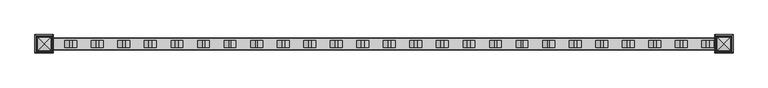
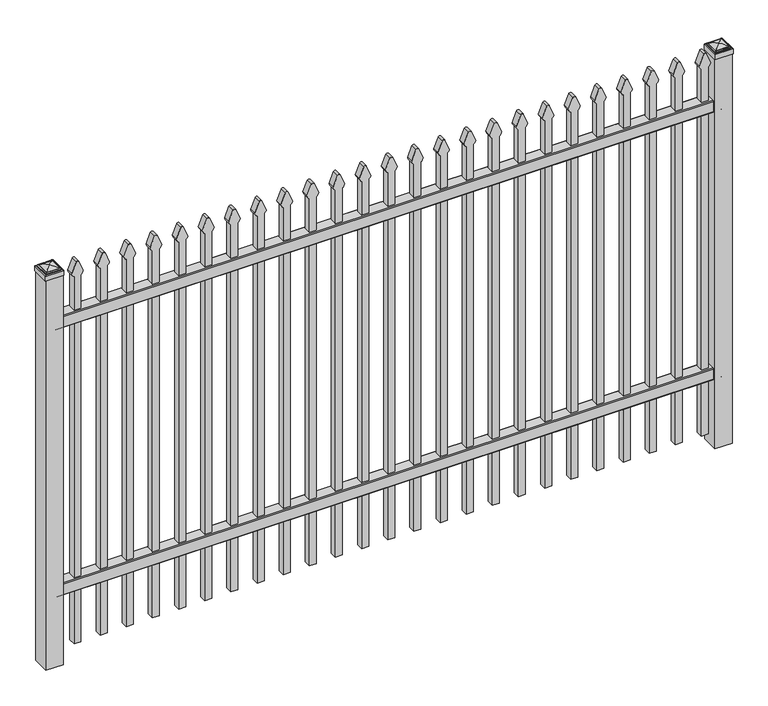
"""IFC4 building model written with IfcOpenShell, lengths in millimetres: railing geometry."""

from ifc_helpers import new_model, si_unit, point, frame, frame_2d, origin, origin_with_axes, place, context, project, spatial, polyline, circle_curve, ellipse_curve, trimmed, segment, composite_curve, outline, extrude, source, transform, mapped, element, save
from ifc_brep_helpers import plane_surface, cylinder_surface, advanced_brep


def railing_96e286ac(model_context):
    return source(origin(), model_context, "Body", "SolidModel", [
        extrude(outline(composite_curve([segment(polyline([(11873.9139761, 304.8), (11911.969541, 304.8)]), True, "CONTINUOUS"), segment(trimmed(circle_curve(frame_2d((11911.969541, 301.625)), 3.175), [point((11911.969541, 304.8))], [point((11915.144541, 301.625))], False, "CARTESIAN"), True, "CONTINUOUS"), segment(polyline([(11915.144541, 301.625), (11915.144541, 262.1439893)]), True, "CONTINUOUS"), segment(trimmed(circle_curve(frame_2d((11913.3505518, 262.1439893)), 1.7939893), [point((11915.144541, 262.1439893))], [point((11913.3505518, 260.35))], False, "CARTESIAN"), True, "CONTINUOUS"), segment(polyline([(11913.3505518, 260.35), (11910.7590713, 260.35)]), True, "CONTINUOUS"), segment(trimmed(circle_curve(frame_2d((11910.7590713, 262.1359375)), 1.7859375), [point((11910.7590713, 260.35))], [point((11908.9755813, 262.0424688))], False, "CARTESIAN"), True, "CONTINUOUS"), segment(polyline([(11908.9755813, 262.0424688), (11907.4025867, 292.0569942), (11878.4364954, 292.0569942), (11876.8635007, 262.0424688)]), True, "CONTINUOUS"), segment(trimmed(circle_curve(frame_2d((11875.0800108, 262.1359375)), 1.7859375), [point((11876.8635007, 262.0424688))], [point((11875.0800108, 260.35))], False, "CARTESIAN"), True, "CONTINUOUS"), segment(polyline([(11875.0800108, 260.35), (11872.4804785, 260.35)]), True, "CONTINUOUS"), segment(trimmed(circle_curve(frame_2d((11872.4804785, 262.1359375)), 1.7859375), [point((11872.4804785, 260.35))], [point((11870.694541, 262.1359375))], False, "CARTESIAN"), True, "CONTINUOUS"), segment(polyline([(11870.694541, 262.1359375), (11870.694541, 301.5805649)]), True, "CONTINUOUS"), segment(trimmed(circle_curve(frame_2d((11873.9139761, 301.5805649)), 3.2194351), [point((11870.694541, 301.5805649))], [point((11873.9139761, 304.8))], False, "CARTESIAN"), True, "CONTINUOUS")], self_intersect=False)), frame((-33015.4649936, 0.0, 0.0), z_axis=(1.0, 0.0, 0.0), x_axis=(0.0, 1.0, 0.0)), (0.0, 0.0, 1.0), 2438.4),
        extrude(outline(composite_curve([segment(polyline([(11873.9139761, 1335.0875), (11911.969541, 1335.0875)]), True, "CONTINUOUS"), segment(trimmed(circle_curve(frame_2d((11911.969541, 1331.9125)), 3.175), [point((11911.969541, 1335.0875))], [point((11915.144541, 1331.9125))], False, "CARTESIAN"), True, "CONTINUOUS"), segment(polyline([(11915.144541, 1331.9125), (11915.144541, 1292.4314893)]), True, "CONTINUOUS"), segment(trimmed(circle_curve(frame_2d((11913.3505518, 1292.4314893)), 1.7939893), [point((11915.144541, 1292.4314893))], [point((11913.3505518, 1290.6375))], False, "CARTESIAN"), True, "CONTINUOUS"), segment(polyline([(11913.3505518, 1290.6375), (11910.7590713, 1290.6375)]), True, "CONTINUOUS"), segment(trimmed(circle_curve(frame_2d((11910.7590713, 1292.4234375)), 1.7859375), [point((11910.7590713, 1290.6375))], [point((11908.9755813, 1292.3299688))], False, "CARTESIAN"), True, "CONTINUOUS"), segment(polyline([(11908.9755813, 1292.3299688), (11907.4025867, 1322.3444942), (11878.4364954, 1322.3444942), (11876.8635007, 1292.3299688)]), True, "CONTINUOUS"), segment(trimmed(circle_curve(frame_2d((11875.0800108, 1292.4234375)), 1.7859375), [point((11876.8635007, 1292.3299688))], [point((11875.0800108, 1290.6375))], False, "CARTESIAN"), True, "CONTINUOUS"), segment(polyline([(11875.0800108, 1290.6375), (11872.4804785, 1290.6375)]), True, "CONTINUOUS"), segment(trimmed(circle_curve(frame_2d((11872.4804785, 1292.4234375)), 1.7859375), [point((11872.4804785, 1290.6375))], [point((11870.694541, 1292.4234375))], False, "CARTESIAN"), True, "CONTINUOUS"), segment(polyline([(11870.694541, 1292.4234375), (11870.694541, 1331.8680649)]), True, "CONTINUOUS"), segment(trimmed(circle_curve(frame_2d((11873.9139761, 1331.8680649)), 3.2194351), [point((11870.694541, 1331.8680649))], [point((11873.9139761, 1335.0875))], False, "CARTESIAN"), True, "CONTINUOUS")], self_intersect=False)), frame((-33015.4649936, 0.0, 0.0), z_axis=(1.0, 0.0, 0.0), x_axis=(0.0, 1.0, 0.0)), (0.0, 0.0, 1.0), 2438.4),
        extrude(outline(composite_curve([segment(polyline([(1464.6798417, -30646.9149936), (50.8, -30646.9149936), (50.8, -30621.5149936), (1464.4579232, -30621.5149936)]), True, "CONTINUOUS"), segment(trimmed(circle_curve(frame_2d((1482.9299402, -30635.3872336)), 23.1009622), [point((1464.4579232, -30621.5149936))], [point((1477.4676176, -30612.9413545))], False, "CARTESIAN"), True, "CONTINUOUS"), segment(polyline([(1477.4676176, -30612.9413545), (1517.9555225, -30629.2605644)]), True, "CONTINUOUS"), segment(trimmed(circle_curve(frame_2d((1514.8045804, -30634.3905764)), 6.0204202), [point((1517.9555225, -30629.2605644))], [point((1517.9555225, -30639.5205884))], False, "CARTESIAN"), True, "CONTINUOUS"), segment(polyline([(1517.9555225, -30639.5205884), (1478.7339948, -30655.4687724)]), True, "CONTINUOUS"), segment(trimmed(circle_curve(frame_2d((1482.9299402, -30632.7520716)), 23.1009622), [point((1478.7339948, -30655.4687724))], [point((1464.6798417, -30646.9149936))], False, "CARTESIAN"), True, "CONTINUOUS")], self_intersect=False)), frame((0.0, 11880.219541, 0.0), z_axis=(0.0, 1.0, 0.0), x_axis=(0.0, 0.0, 1.0)), (0.0, 0.0, 1.0), 25.4),
        extrude(outline(composite_curve([segment(polyline([(1464.6798417, -30742.1649936), (50.8, -30742.1649936), (50.8, -30716.7649936), (1464.4579232, -30716.7649936)]), True, "CONTINUOUS"), segment(trimmed(circle_curve(frame_2d((1482.9299402, -30730.6372336)), 23.1009622), [point((1464.4579232, -30716.7649936))], [point((1477.4676176, -30708.1913545))], False, "CARTESIAN"), True, "CONTINUOUS"), segment(polyline([(1477.4676176, -30708.1913545), (1517.9555225, -30724.5105644)]), True, "CONTINUOUS"), segment(trimmed(circle_curve(frame_2d((1514.8045804, -30729.6405764)), 6.0204202), [point((1517.9555225, -30724.5105644))], [point((1517.9555225, -30734.7705884))], False, "CARTESIAN"), True, "CONTINUOUS"), segment(polyline([(1517.9555225, -30734.7705884), (1478.7339948, -30750.7187724)]), True, "CONTINUOUS"), segment(trimmed(circle_curve(frame_2d((1482.9299402, -30728.0020716)), 23.1009622), [point((1478.7339948, -30750.7187724))], [point((1464.6798417, -30742.1649936))], False, "CARTESIAN"), True, "CONTINUOUS")], self_intersect=False)), frame((0.0, 11880.219541, 0.0), z_axis=(0.0, 1.0, 0.0), x_axis=(0.0, 0.0, 1.0)), (0.0, 0.0, 1.0), 25.4),
        extrude(outline(composite_curve([segment(polyline([(1464.6798417, -30837.4149936), (50.8, -30837.4149936), (50.8, -30812.0149936), (1464.4579232, -30812.0149936)]), True, "CONTINUOUS"), segment(trimmed(circle_curve(frame_2d((1482.9299402, -30825.8872336)), 23.1009622), [point((1464.4579232, -30812.0149936))], [point((1477.4676176, -30803.4413545))], False, "CARTESIAN"), True, "CONTINUOUS"), segment(polyline([(1477.4676176, -30803.4413545), (1517.9555225, -30819.7605644)]), True, "CONTINUOUS"), segment(trimmed(circle_curve(frame_2d((1514.8045804, -30824.8905764)), 6.0204202), [point((1517.9555225, -30819.7605644))], [point((1517.9555225, -30830.0205884))], False, "CARTESIAN"), True, "CONTINUOUS"), segment(polyline([(1517.9555225, -30830.0205884), (1478.7339948, -30845.9687724)]), True, "CONTINUOUS"), segment(trimmed(circle_curve(frame_2d((1482.9299402, -30823.2520716)), 23.1009622), [point((1478.7339948, -30845.9687724))], [point((1464.6798417, -30837.4149936))], False, "CARTESIAN"), True, "CONTINUOUS")], self_intersect=False)), frame((0.0, 11880.219541, 0.0), z_axis=(0.0, 1.0, 0.0), x_axis=(0.0, 0.0, 1.0)), (0.0, 0.0, 1.0), 25.4),
        extrude(outline(composite_curve([segment(polyline([(1464.6798417, -30932.6649936), (50.8, -30932.6649936), (50.8, -30907.2649936), (1464.4579232, -30907.2649936)]), True, "CONTINUOUS"), segment(trimmed(circle_curve(frame_2d((1482.9299402, -30921.1372336)), 23.1009622), [point((1464.4579232, -30907.2649936))], [point((1477.4676176, -30898.6913545))], False, "CARTESIAN"), True, "CONTINUOUS"), segment(polyline([(1477.4676176, -30898.6913545), (1517.9555225, -30915.0105644)]), True, "CONTINUOUS"), segment(trimmed(circle_curve(frame_2d((1514.8045804, -30920.1405764)), 6.0204202), [point((1517.9555225, -30915.0105644))], [point((1517.9555225, -30925.2705884))], False, "CARTESIAN"), True, "CONTINUOUS"), segment(polyline([(1517.9555225, -30925.2705884), (1478.7339948, -30941.2187724)]), True, "CONTINUOUS"), segment(trimmed(circle_curve(frame_2d((1482.9299402, -30918.5020716)), 23.1009622), [point((1478.7339948, -30941.2187724))], [point((1464.6798417, -30932.6649936))], False, "CARTESIAN"), True, "CONTINUOUS")], self_intersect=False)), frame((0.0, 11880.219541, 0.0), z_axis=(0.0, 1.0, 0.0), x_axis=(0.0, 0.0, 1.0)), (0.0, 0.0, 1.0), 25.4),
        extrude(outline(composite_curve([segment(polyline([(1464.6798417, -31027.9149936), (50.8, -31027.9149936), (50.8, -31002.5149936), (1464.4579232, -31002.5149936)]), True, "CONTINUOUS"), segment(trimmed(circle_curve(frame_2d((1482.9299402, -31016.3872336)), 23.1009622), [point((1464.4579232, -31002.5149936))], [point((1477.4676176, -30993.9413545))], False, "CARTESIAN"), True, "CONTINUOUS"), segment(polyline([(1477.4676176, -30993.9413545), (1517.9555225, -31010.2605644)]), True, "CONTINUOUS"), segment(trimmed(circle_curve(frame_2d((1514.8045804, -31015.3905764)), 6.0204202), [point((1517.9555225, -31010.2605644))], [point((1517.9555225, -31020.5205884))], False, "CARTESIAN"), True, "CONTINUOUS"), segment(polyline([(1517.9555225, -31020.5205884), (1478.7339948, -31036.4687724)]), True, "CONTINUOUS"), segment(trimmed(circle_curve(frame_2d((1482.9299402, -31013.7520716)), 23.1009622), [point((1478.7339948, -31036.4687724))], [point((1464.6798417, -31027.9149936))], False, "CARTESIAN"), True, "CONTINUOUS")], self_intersect=False)), frame((0.0, 11880.219541, 0.0), z_axis=(0.0, 1.0, 0.0), x_axis=(0.0, 0.0, 1.0)), (0.0, 0.0, 1.0), 25.4),
        extrude(outline(composite_curve([segment(polyline([(1464.6798417, -31123.1649936), (50.8, -31123.1649936), (50.8, -31097.7649936), (1464.4579232, -31097.7649936)]), True, "CONTINUOUS"), segment(trimmed(circle_curve(frame_2d((1482.9299402, -31111.6372336)), 23.1009622), [point((1464.4579232, -31097.7649936))], [point((1477.4676176, -31089.1913545))], False, "CARTESIAN"), True, "CONTINUOUS"), segment(polyline([(1477.4676176, -31089.1913545), (1517.9555225, -31105.5105644)]), True, "CONTINUOUS"), segment(trimmed(circle_curve(frame_2d((1514.8045804, -31110.6405764)), 6.0204202), [point((1517.9555225, -31105.5105644))], [point((1517.9555225, -31115.7705884))], False, "CARTESIAN"), True, "CONTINUOUS"), segment(polyline([(1517.9555225, -31115.7705884), (1478.7339948, -31131.7187724)]), True, "CONTINUOUS"), segment(trimmed(circle_curve(frame_2d((1482.9299402, -31109.0020716)), 23.1009622), [point((1478.7339948, -31131.7187724))], [point((1464.6798417, -31123.1649936))], False, "CARTESIAN"), True, "CONTINUOUS")], self_intersect=False)), frame((0.0, 11880.219541, 0.0), z_axis=(0.0, 1.0, 0.0), x_axis=(0.0, 0.0, 1.0)), (0.0, 0.0, 1.0), 25.4),
        extrude(outline(composite_curve([segment(polyline([(1464.6798417, -31218.4149936), (50.8, -31218.4149936), (50.8, -31193.0149936), (1464.4579232, -31193.0149936)]), True, "CONTINUOUS"), segment(trimmed(circle_curve(frame_2d((1482.9299402, -31206.8872336)), 23.1009622), [point((1464.4579232, -31193.0149936))], [point((1477.4676176, -31184.4413545))], False, "CARTESIAN"), True, "CONTINUOUS"), segment(polyline([(1477.4676176, -31184.4413545), (1517.9555225, -31200.7605644)]), True, "CONTINUOUS"), segment(trimmed(circle_curve(frame_2d((1514.8045804, -31205.8905764)), 6.0204202), [point((1517.9555225, -31200.7605644))], [point((1517.9555225, -31211.0205884))], False, "CARTESIAN"), True, "CONTINUOUS"), segment(polyline([(1517.9555225, -31211.0205884), (1478.7339948, -31226.9687724)]), True, "CONTINUOUS"), segment(trimmed(circle_curve(frame_2d((1482.9299402, -31204.2520716)), 23.1009622), [point((1478.7339948, -31226.9687724))], [point((1464.6798417, -31218.4149936))], False, "CARTESIAN"), True, "CONTINUOUS")], self_intersect=False)), frame((0.0, 11880.219541, 0.0), z_axis=(0.0, 1.0, 0.0), x_axis=(0.0, 0.0, 1.0)), (0.0, 0.0, 1.0), 25.4),
        extrude(outline(composite_curve([segment(polyline([(1464.6798417, -31313.6649936), (50.8, -31313.6649936), (50.8, -31288.2649936), (1464.4579232, -31288.2649936)]), True, "CONTINUOUS"), segment(trimmed(circle_curve(frame_2d((1482.9299402, -31302.1372336)), 23.1009622), [point((1464.4579232, -31288.2649936))], [point((1477.4676176, -31279.6913545))], False, "CARTESIAN"), True, "CONTINUOUS"), segment(polyline([(1477.4676176, -31279.6913545), (1517.9555225, -31296.0105644)]), True, "CONTINUOUS"), segment(trimmed(circle_curve(frame_2d((1514.8045804, -31301.1405764)), 6.0204202), [point((1517.9555225, -31296.0105644))], [point((1517.9555225, -31306.2705884))], False, "CARTESIAN"), True, "CONTINUOUS"), segment(polyline([(1517.9555225, -31306.2705884), (1478.7339948, -31322.2187724)]), True, "CONTINUOUS"), segment(trimmed(circle_curve(frame_2d((1482.9299402, -31299.5020716)), 23.1009622), [point((1478.7339948, -31322.2187724))], [point((1464.6798417, -31313.6649936))], False, "CARTESIAN"), True, "CONTINUOUS")], self_intersect=False)), frame((0.0, 11880.219541, 0.0), z_axis=(0.0, 1.0, 0.0), x_axis=(0.0, 0.0, 1.0)), (0.0, 0.0, 1.0), 25.4),
        extrude(outline(composite_curve([segment(polyline([(1464.6798417, -31408.9149936), (50.8, -31408.9149936), (50.8, -31383.5149936), (1464.4579232, -31383.5149936)]), True, "CONTINUOUS"), segment(trimmed(circle_curve(frame_2d((1482.9299402, -31397.3872336)), 23.1009622), [point((1464.4579232, -31383.5149936))], [point((1477.4676176, -31374.9413545))], False, "CARTESIAN"), True, "CONTINUOUS"), segment(polyline([(1477.4676176, -31374.9413545), (1517.9555225, -31391.2605644)]), True, "CONTINUOUS"), segment(trimmed(circle_curve(frame_2d((1514.8045804, -31396.3905764)), 6.0204202), [point((1517.9555225, -31391.2605644))], [point((1517.9555225, -31401.5205884))], False, "CARTESIAN"), True, "CONTINUOUS"), segment(polyline([(1517.9555225, -31401.5205884), (1478.7339948, -31417.4687724)]), True, "CONTINUOUS"), segment(trimmed(circle_curve(frame_2d((1482.9299402, -31394.7520716)), 23.1009622), [point((1478.7339948, -31417.4687724))], [point((1464.6798417, -31408.9149936))], False, "CARTESIAN"), True, "CONTINUOUS")], self_intersect=False)), frame((0.0, 11880.219541, 0.0), z_axis=(0.0, 1.0, 0.0), x_axis=(0.0, 0.0, 1.0)), (0.0, 0.0, 1.0), 25.4),
        extrude(outline(composite_curve([segment(polyline([(1464.6798417, -31504.1649936), (50.8, -31504.1649936), (50.8, -31478.7649936), (1464.4579232, -31478.7649936)]), True, "CONTINUOUS"), segment(trimmed(circle_curve(frame_2d((1482.9299402, -31492.6372336)), 23.1009622), [point((1464.4579232, -31478.7649936))], [point((1477.4676176, -31470.1913545))], False, "CARTESIAN"), True, "CONTINUOUS"), segment(polyline([(1477.4676176, -31470.1913545), (1517.9555225, -31486.5105644)]), True, "CONTINUOUS"), segment(trimmed(circle_curve(frame_2d((1514.8045804, -31491.6405764)), 6.0204202), [point((1517.9555225, -31486.5105644))], [point((1517.9555225, -31496.7705884))], False, "CARTESIAN"), True, "CONTINUOUS"), segment(polyline([(1517.9555225, -31496.7705884), (1478.7339948, -31512.7187724)]), True, "CONTINUOUS"), segment(trimmed(circle_curve(frame_2d((1482.9299402, -31490.0020716)), 23.1009622), [point((1478.7339948, -31512.7187724))], [point((1464.6798417, -31504.1649936))], False, "CARTESIAN"), True, "CONTINUOUS")], self_intersect=False)), frame((0.0, 11880.219541, 0.0), z_axis=(0.0, 1.0, 0.0), x_axis=(0.0, 0.0, 1.0)), (0.0, 0.0, 1.0), 25.4),
        extrude(outline(composite_curve([segment(polyline([(1464.6798417, -31599.4149936), (50.8, -31599.4149936), (50.8, -31574.0149936), (1464.4579232, -31574.0149936)]), True, "CONTINUOUS"), segment(trimmed(circle_curve(frame_2d((1482.9299402, -31587.8872336)), 23.1009622), [point((1464.4579232, -31574.0149936))], [point((1477.4676176, -31565.4413545))], False, "CARTESIAN"), True, "CONTINUOUS"), segment(polyline([(1477.4676176, -31565.4413545), (1517.9555225, -31581.7605644)]), True, "CONTINUOUS"), segment(trimmed(circle_curve(frame_2d((1514.8045804, -31586.8905764)), 6.0204202), [point((1517.9555225, -31581.7605644))], [point((1517.9555225, -31592.0205884))], False, "CARTESIAN"), True, "CONTINUOUS"), segment(polyline([(1517.9555225, -31592.0205884), (1478.7339948, -31607.9687724)]), True, "CONTINUOUS"), segment(trimmed(circle_curve(frame_2d((1482.9299402, -31585.2520716)), 23.1009622), [point((1478.7339948, -31607.9687724))], [point((1464.6798417, -31599.4149936))], False, "CARTESIAN"), True, "CONTINUOUS")], self_intersect=False)), frame((0.0, 11880.219541, 0.0), z_axis=(0.0, 1.0, 0.0), x_axis=(0.0, 0.0, 1.0)), (0.0, 0.0, 1.0), 25.4),
        extrude(outline(composite_curve([segment(polyline([(1464.6798417, -31694.6649936), (50.8, -31694.6649936), (50.8, -31669.2649936), (1464.4579232, -31669.2649936)]), True, "CONTINUOUS"), segment(trimmed(circle_curve(frame_2d((1482.9299402, -31683.1372336)), 23.1009622), [point((1464.4579232, -31669.2649936))], [point((1477.4676176, -31660.6913545))], False, "CARTESIAN"), True, "CONTINUOUS"), segment(polyline([(1477.4676176, -31660.6913545), (1517.9555225, -31677.0105644)]), True, "CONTINUOUS"), segment(trimmed(circle_curve(frame_2d((1514.8045804, -31682.1405764)), 6.0204202), [point((1517.9555225, -31677.0105644))], [point((1517.9555225, -31687.2705884))], False, "CARTESIAN"), True, "CONTINUOUS"), segment(polyline([(1517.9555225, -31687.2705884), (1478.7339948, -31703.2187724)]), True, "CONTINUOUS"), segment(trimmed(circle_curve(frame_2d((1482.9299402, -31680.5020716)), 23.1009622), [point((1478.7339948, -31703.2187724))], [point((1464.6798417, -31694.6649936))], False, "CARTESIAN"), True, "CONTINUOUS")], self_intersect=False)), frame((0.0, 11880.219541, 0.0), z_axis=(0.0, 1.0, 0.0), x_axis=(0.0, 0.0, 1.0)), (0.0, 0.0, 1.0), 25.4),
        extrude(outline(composite_curve([segment(polyline([(1464.6798417, -31789.9149936), (50.8, -31789.9149936), (50.8, -31764.5149936), (1464.4579232, -31764.5149936)]), True, "CONTINUOUS"), segment(trimmed(circle_curve(frame_2d((1482.9299402, -31778.3872336)), 23.1009622), [point((1464.4579232, -31764.5149936))], [point((1477.4676176, -31755.9413545))], False, "CARTESIAN"), True, "CONTINUOUS"), segment(polyline([(1477.4676176, -31755.9413545), (1517.9555225, -31772.2605644)]), True, "CONTINUOUS"), segment(trimmed(circle_curve(frame_2d((1514.8045804, -31777.3905764)), 6.0204202), [point((1517.9555225, -31772.2605644))], [point((1517.9555225, -31782.5205884))], False, "CARTESIAN"), True, "CONTINUOUS"), segment(polyline([(1517.9555225, -31782.5205884), (1478.7339948, -31798.4687724)]), True, "CONTINUOUS"), segment(trimmed(circle_curve(frame_2d((1482.9299402, -31775.7520716)), 23.1009622), [point((1478.7339948, -31798.4687724))], [point((1464.6798417, -31789.9149936))], False, "CARTESIAN"), True, "CONTINUOUS")], self_intersect=False)), frame((0.0, 11880.219541, 0.0), z_axis=(0.0, 1.0, 0.0), x_axis=(0.0, 0.0, 1.0)), (0.0, 0.0, 1.0), 25.4),
        extrude(outline(composite_curve([segment(polyline([(1464.6798417, -31885.1649936), (50.8, -31885.1649936), (50.8, -31859.7649936), (1464.4579232, -31859.7649936)]), True, "CONTINUOUS"), segment(trimmed(circle_curve(frame_2d((1482.9299402, -31873.6372336)), 23.1009622), [point((1464.4579232, -31859.7649936))], [point((1477.4676176, -31851.1913545))], False, "CARTESIAN"), True, "CONTINUOUS"), segment(polyline([(1477.4676176, -31851.1913545), (1517.9555225, -31867.5105644)]), True, "CONTINUOUS"), segment(trimmed(circle_curve(frame_2d((1514.8045804, -31872.6405764)), 6.0204202), [point((1517.9555225, -31867.5105644))], [point((1517.9555225, -31877.7705884))], False, "CARTESIAN"), True, "CONTINUOUS"), segment(polyline([(1517.9555225, -31877.7705884), (1478.7339948, -31893.7187724)]), True, "CONTINUOUS"), segment(trimmed(circle_curve(frame_2d((1482.9299402, -31871.0020716)), 23.1009622), [point((1478.7339948, -31893.7187724))], [point((1464.6798417, -31885.1649936))], False, "CARTESIAN"), True, "CONTINUOUS")], self_intersect=False)), frame((0.0, 11880.219541, 0.0), z_axis=(0.0, 1.0, 0.0), x_axis=(0.0, 0.0, 1.0)), (0.0, 0.0, 1.0), 25.4),
        extrude(outline(composite_curve([segment(polyline([(1464.6798417, -31980.4149936), (50.8, -31980.4149936), (50.8, -31955.0149936), (1464.4579232, -31955.0149936)]), True, "CONTINUOUS"), segment(trimmed(circle_curve(frame_2d((1482.9299402, -31968.8872336)), 23.1009622), [point((1464.4579232, -31955.0149936))], [point((1477.4676176, -31946.4413545))], False, "CARTESIAN"), True, "CONTINUOUS"), segment(polyline([(1477.4676176, -31946.4413545), (1517.9555225, -31962.7605644)]), True, "CONTINUOUS"), segment(trimmed(circle_curve(frame_2d((1514.8045804, -31967.8905764)), 6.0204202), [point((1517.9555225, -31962.7605644))], [point((1517.9555225, -31973.0205884))], False, "CARTESIAN"), True, "CONTINUOUS"), segment(polyline([(1517.9555225, -31973.0205884), (1478.7339948, -31988.9687724)]), True, "CONTINUOUS"), segment(trimmed(circle_curve(frame_2d((1482.9299402, -31966.2520716)), 23.1009622), [point((1478.7339948, -31988.9687724))], [point((1464.6798417, -31980.4149936))], False, "CARTESIAN"), True, "CONTINUOUS")], self_intersect=False)), frame((0.0, 11880.219541, 0.0), z_axis=(0.0, 1.0, 0.0), x_axis=(0.0, 0.0, 1.0)), (0.0, 0.0, 1.0), 25.4),
        extrude(outline(composite_curve([segment(polyline([(1464.6798417, -32075.6649936), (50.8, -32075.6649936), (50.8, -32050.2649936), (1464.4579232, -32050.2649936)]), True, "CONTINUOUS"), segment(trimmed(circle_curve(frame_2d((1482.9299402, -32064.1372336)), 23.1009622), [point((1464.4579232, -32050.2649936))], [point((1477.4676176, -32041.6913545))], False, "CARTESIAN"), True, "CONTINUOUS"), segment(polyline([(1477.4676176, -32041.6913545), (1517.9555225, -32058.0105644)]), True, "CONTINUOUS"), segment(trimmed(circle_curve(frame_2d((1514.8045804, -32063.1405764)), 6.0204202), [point((1517.9555225, -32058.0105644))], [point((1517.9555225, -32068.2705884))], False, "CARTESIAN"), True, "CONTINUOUS"), segment(polyline([(1517.9555225, -32068.2705884), (1478.7339948, -32084.2187724)]), True, "CONTINUOUS"), segment(trimmed(circle_curve(frame_2d((1482.9299402, -32061.5020716)), 23.1009622), [point((1478.7339948, -32084.2187724))], [point((1464.6798417, -32075.6649936))], False, "CARTESIAN"), True, "CONTINUOUS")], self_intersect=False)), frame((0.0, 11880.219541, 0.0), z_axis=(0.0, 1.0, 0.0), x_axis=(0.0, 0.0, 1.0)), (0.0, 0.0, 1.0), 25.4),
        extrude(outline(composite_curve([segment(polyline([(1464.6798417, -32170.9149936), (50.8, -32170.9149936), (50.8, -32145.5149936), (1464.4579232, -32145.5149936)]), True, "CONTINUOUS"), segment(trimmed(circle_curve(frame_2d((1482.9299402, -32159.3872336)), 23.1009622), [point((1464.4579232, -32145.5149936))], [point((1477.4676176, -32136.9413545))], False, "CARTESIAN"), True, "CONTINUOUS"), segment(polyline([(1477.4676176, -32136.9413545), (1517.9555225, -32153.2605644)]), True, "CONTINUOUS"), segment(trimmed(circle_curve(frame_2d((1514.8045804, -32158.3905764)), 6.0204202), [point((1517.9555225, -32153.2605644))], [point((1517.9555225, -32163.5205884))], False, "CARTESIAN"), True, "CONTINUOUS"), segment(polyline([(1517.9555225, -32163.5205884), (1478.7339948, -32179.4687724)]), True, "CONTINUOUS"), segment(trimmed(circle_curve(frame_2d((1482.9299402, -32156.7520716)), 23.1009622), [point((1478.7339948, -32179.4687724))], [point((1464.6798417, -32170.9149936))], False, "CARTESIAN"), True, "CONTINUOUS")], self_intersect=False)), frame((0.0, 11880.219541, 0.0), z_axis=(0.0, 1.0, 0.0), x_axis=(0.0, 0.0, 1.0)), (0.0, 0.0, 1.0), 25.4),
        extrude(outline(composite_curve([segment(polyline([(1464.6798417, -32266.1649936), (50.8, -32266.1649936), (50.8, -32240.7649936), (1464.4579232, -32240.7649936)]), True, "CONTINUOUS"), segment(trimmed(circle_curve(frame_2d((1482.9299402, -32254.6372336)), 23.1009622), [point((1464.4579232, -32240.7649936))], [point((1477.4676176, -32232.1913545))], False, "CARTESIAN"), True, "CONTINUOUS"), segment(polyline([(1477.4676176, -32232.1913545), (1517.9555225, -32248.5105644)]), True, "CONTINUOUS"), segment(trimmed(circle_curve(frame_2d((1514.8045804, -32253.6405764)), 6.0204202), [point((1517.9555225, -32248.5105644))], [point((1517.9555225, -32258.7705884))], False, "CARTESIAN"), True, "CONTINUOUS"), segment(polyline([(1517.9555225, -32258.7705884), (1478.7339948, -32274.7187724)]), True, "CONTINUOUS"), segment(trimmed(circle_curve(frame_2d((1482.9299402, -32252.0020716)), 23.1009622), [point((1478.7339948, -32274.7187724))], [point((1464.6798417, -32266.1649936))], False, "CARTESIAN"), True, "CONTINUOUS")], self_intersect=False)), frame((0.0, 11880.219541, 0.0), z_axis=(0.0, 1.0, 0.0), x_axis=(0.0, 0.0, 1.0)), (0.0, 0.0, 1.0), 25.4),
        extrude(outline(composite_curve([segment(polyline([(1464.6798417, -32361.4149936), (50.8, -32361.4149936), (50.8, -32336.0149936), (1464.4579232, -32336.0149936)]), True, "CONTINUOUS"), segment(trimmed(circle_curve(frame_2d((1482.9299402, -32349.8872336)), 23.1009622), [point((1464.4579232, -32336.0149936))], [point((1477.4676176, -32327.4413545))], False, "CARTESIAN"), True, "CONTINUOUS"), segment(polyline([(1477.4676176, -32327.4413545), (1517.9555225, -32343.7605644)]), True, "CONTINUOUS"), segment(trimmed(circle_curve(frame_2d((1514.8045804, -32348.8905764)), 6.0204202), [point((1517.9555225, -32343.7605644))], [point((1517.9555225, -32354.0205884))], False, "CARTESIAN"), True, "CONTINUOUS"), segment(polyline([(1517.9555225, -32354.0205884), (1478.7339948, -32369.9687724)]), True, "CONTINUOUS"), segment(trimmed(circle_curve(frame_2d((1482.9299402, -32347.2520716)), 23.1009622), [point((1478.7339948, -32369.9687724))], [point((1464.6798417, -32361.4149936))], False, "CARTESIAN"), True, "CONTINUOUS")], self_intersect=False)), frame((0.0, 11880.219541, 0.0), z_axis=(0.0, 1.0, 0.0), x_axis=(0.0, 0.0, 1.0)), (0.0, 0.0, 1.0), 25.4),
        extrude(outline(composite_curve([segment(polyline([(1464.6798417, -32456.6649936), (50.8, -32456.6649936), (50.8, -32431.2649936), (1464.4579232, -32431.2649936)]), True, "CONTINUOUS"), segment(trimmed(circle_curve(frame_2d((1482.9299402, -32445.1372336)), 23.1009622), [point((1464.4579232, -32431.2649936))], [point((1477.4676176, -32422.6913545))], False, "CARTESIAN"), True, "CONTINUOUS"), segment(polyline([(1477.4676176, -32422.6913545), (1517.9555225, -32439.0105644)]), True, "CONTINUOUS"), segment(trimmed(circle_curve(frame_2d((1514.8045804, -32444.1405764)), 6.0204202), [point((1517.9555225, -32439.0105644))], [point((1517.9555225, -32449.2705884))], False, "CARTESIAN"), True, "CONTINUOUS"), segment(polyline([(1517.9555225, -32449.2705884), (1478.7339948, -32465.2187724)]), True, "CONTINUOUS"), segment(trimmed(circle_curve(frame_2d((1482.9299402, -32442.5020716)), 23.1009622), [point((1478.7339948, -32465.2187724))], [point((1464.6798417, -32456.6649936))], False, "CARTESIAN"), True, "CONTINUOUS")], self_intersect=False)), frame((0.0, 11880.219541, 0.0), z_axis=(0.0, 1.0, 0.0), x_axis=(0.0, 0.0, 1.0)), (0.0, 0.0, 1.0), 25.4),
        extrude(outline(composite_curve([segment(polyline([(1464.6798417, -32551.9149936), (50.8, -32551.9149936), (50.8, -32526.5149936), (1464.4579232, -32526.5149936)]), True, "CONTINUOUS"), segment(trimmed(circle_curve(frame_2d((1482.9299402, -32540.3872336)), 23.1009622), [point((1464.4579232, -32526.5149936))], [point((1477.4676176, -32517.9413545))], False, "CARTESIAN"), True, "CONTINUOUS"), segment(polyline([(1477.4676176, -32517.9413545), (1517.9555225, -32534.2605644)]), True, "CONTINUOUS"), segment(trimmed(circle_curve(frame_2d((1514.8045804, -32539.3905764)), 6.0204202), [point((1517.9555225, -32534.2605644))], [point((1517.9555225, -32544.5205884))], False, "CARTESIAN"), True, "CONTINUOUS"), segment(polyline([(1517.9555225, -32544.5205884), (1478.7339948, -32560.4687724)]), True, "CONTINUOUS"), segment(trimmed(circle_curve(frame_2d((1482.9299402, -32537.7520716)), 23.1009622), [point((1478.7339948, -32560.4687724))], [point((1464.6798417, -32551.9149936))], False, "CARTESIAN"), True, "CONTINUOUS")], self_intersect=False)), frame((0.0, 11880.219541, 0.0), z_axis=(0.0, 1.0, 0.0), x_axis=(0.0, 0.0, 1.0)), (0.0, 0.0, 1.0), 25.4),
        extrude(outline(composite_curve([segment(polyline([(1464.6798417, -32647.1649936), (50.8, -32647.1649936), (50.8, -32621.7649936), (1464.4579232, -32621.7649936)]), True, "CONTINUOUS"), segment(trimmed(circle_curve(frame_2d((1482.9299402, -32635.6372336)), 23.1009622), [point((1464.4579232, -32621.7649936))], [point((1477.4676176, -32613.1913545))], False, "CARTESIAN"), True, "CONTINUOUS"), segment(polyline([(1477.4676176, -32613.1913545), (1517.9555225, -32629.5105644)]), True, "CONTINUOUS"), segment(trimmed(circle_curve(frame_2d((1514.8045804, -32634.6405764)), 6.0204202), [point((1517.9555225, -32629.5105644))], [point((1517.9555225, -32639.7705884))], False, "CARTESIAN"), True, "CONTINUOUS"), segment(polyline([(1517.9555225, -32639.7705884), (1478.7339948, -32655.7187724)]), True, "CONTINUOUS"), segment(trimmed(circle_curve(frame_2d((1482.9299402, -32633.0020716)), 23.1009622), [point((1478.7339948, -32655.7187724))], [point((1464.6798417, -32647.1649936))], False, "CARTESIAN"), True, "CONTINUOUS")], self_intersect=False)), frame((0.0, 11880.219541, 0.0), z_axis=(0.0, 1.0, 0.0), x_axis=(0.0, 0.0, 1.0)), (0.0, 0.0, 1.0), 25.4),
        extrude(outline(composite_curve([segment(polyline([(1464.6798417, -32742.4149936), (50.8, -32742.4149936), (50.8, -32717.0149936), (1464.4579232, -32717.0149936)]), True, "CONTINUOUS"), segment(trimmed(circle_curve(frame_2d((1482.9299402, -32730.8872336)), 23.1009622), [point((1464.4579232, -32717.0149936))], [point((1477.4676176, -32708.4413545))], False, "CARTESIAN"), True, "CONTINUOUS"), segment(polyline([(1477.4676176, -32708.4413545), (1517.9555225, -32724.7605644)]), True, "CONTINUOUS"), segment(trimmed(circle_curve(frame_2d((1514.8045804, -32729.8905764)), 6.0204202), [point((1517.9555225, -32724.7605644))], [point((1517.9555225, -32735.0205884))], False, "CARTESIAN"), True, "CONTINUOUS"), segment(polyline([(1517.9555225, -32735.0205884), (1478.7339948, -32750.9687724)]), True, "CONTINUOUS"), segment(trimmed(circle_curve(frame_2d((1482.9299402, -32728.2520716)), 23.1009622), [point((1478.7339948, -32750.9687724))], [point((1464.6798417, -32742.4149936))], False, "CARTESIAN"), True, "CONTINUOUS")], self_intersect=False)), frame((0.0, 11880.219541, 0.0), z_axis=(0.0, 1.0, 0.0), x_axis=(0.0, 0.0, 1.0)), (0.0, 0.0, 1.0), 25.4),
        extrude(outline(composite_curve([segment(polyline([(1464.6798417, -32837.6649936), (50.8, -32837.6649936), (50.8, -32812.2649936), (1464.4579232, -32812.2649936)]), True, "CONTINUOUS"), segment(trimmed(circle_curve(frame_2d((1482.9299402, -32826.1372336)), 23.1009622), [point((1464.4579232, -32812.2649936))], [point((1477.4676176, -32803.6913545))], False, "CARTESIAN"), True, "CONTINUOUS"), segment(polyline([(1477.4676176, -32803.6913545), (1517.9555225, -32820.0105644)]), True, "CONTINUOUS"), segment(trimmed(circle_curve(frame_2d((1514.8045804, -32825.1405764)), 6.0204202), [point((1517.9555225, -32820.0105644))], [point((1517.9555225, -32830.2705884))], False, "CARTESIAN"), True, "CONTINUOUS"), segment(polyline([(1517.9555225, -32830.2705884), (1478.7339948, -32846.2187724)]), True, "CONTINUOUS"), segment(trimmed(circle_curve(frame_2d((1482.9299402, -32823.5020716)), 23.1009622), [point((1478.7339948, -32846.2187724))], [point((1464.6798417, -32837.6649936))], False, "CARTESIAN"), True, "CONTINUOUS")], self_intersect=False)), frame((0.0, 11880.219541, 0.0), z_axis=(0.0, 1.0, 0.0), x_axis=(0.0, 0.0, 1.0)), (0.0, 0.0, 1.0), 25.4),
        extrude(outline(composite_curve([segment(polyline([(1464.6798417, -32932.9149936), (50.8, -32932.9149936), (50.8, -32907.5149936), (1464.4579232, -32907.5149936)]), True, "CONTINUOUS"), segment(trimmed(circle_curve(frame_2d((1482.9299402, -32921.3872336)), 23.1009622), [point((1464.4579232, -32907.5149936))], [point((1477.4676176, -32898.9413545))], False, "CARTESIAN"), True, "CONTINUOUS"), segment(polyline([(1477.4676176, -32898.9413545), (1517.9555225, -32915.2605644)]), True, "CONTINUOUS"), segment(trimmed(circle_curve(frame_2d((1514.8045804, -32920.3905764)), 6.0204202), [point((1517.9555225, -32915.2605644))], [point((1517.9555225, -32925.5205884))], False, "CARTESIAN"), True, "CONTINUOUS"), segment(polyline([(1517.9555225, -32925.5205884), (1478.7339948, -32941.4687724)]), True, "CONTINUOUS"), segment(trimmed(circle_curve(frame_2d((1482.9299402, -32918.7520716)), 23.1009622), [point((1478.7339948, -32941.4687724))], [point((1464.6798417, -32932.9149936))], False, "CARTESIAN"), True, "CONTINUOUS")], self_intersect=False)), frame((0.0, 11880.219541, 0.0), z_axis=(0.0, 1.0, 0.0), x_axis=(0.0, 0.0, 1.0)), (0.0, 0.0, 1.0), 25.4),
        extrude(outline(polyline([(-30545.3149936, 11924.669541), (-30545.3149936, 11861.169541), (-30608.8149936, 11861.169541), (-30608.8149936, 11924.669541), (-30545.3149936, 11924.669541)])), origin_with_axes(), (0.0, 0.0, 1.0), 1500.1875),
        advanced_brep(
        [(-30610.4024936, 11926.257041, 1518.44375), (-30610.4024936, 11926.257041, 1500.1875), (-30610.4024936, 11859.582041, 1500.1875), (-30610.4024936, 11859.582041, 1518.44375), (-30608.0212436, 11923.875791, 1520.825), (-30608.0212436, 11861.963291, 1520.825), (-30605.6399936, 11921.494541, 1523.20625), (-30605.6399936, 11921.494541, 1520.825), (-30605.6399936, 11864.344541, 1520.825), (-30605.6399936, 11864.344541, 1523.20625), (-30603.2587436, 11919.113291, 1525.5875), (-30603.2587436, 11866.725791, 1525.5875), (-30577.0649936, 11892.919541, 1531.9375), (-30600.8774936, 11916.732041, 1525.5875), (-30600.8774936, 11869.107041, 1525.5875), (-30543.7274936, 11859.582041, 1500.1875), (-30543.7274936, 11859.582041, 1518.44375), (-30546.1087436, 11861.963291, 1520.825), (-30548.4899936, 11864.344541, 1520.825), (-30548.4899936, 11864.344541, 1523.20625), (-30550.8712436, 11866.725791, 1525.5875), (-30553.2524936, 11869.107041, 1525.5875), (-30543.7274936, 11926.257041, 1500.1875), (-30543.7274936, 11926.257041, 1518.44375), (-30546.1087436, 11923.875791, 1520.825), (-30548.4899936, 11921.494541, 1520.825), (-30548.4899936, 11921.494541, 1523.20625), (-30550.8712436, 11919.113291, 1525.5875), (-30553.2524936, 11916.732041, 1525.5875)],
        [
            (0, 1),
            (1, 2),
            (2, 3),
            (3, 0),
            (4, 0, ellipse_curve(frame((-30608.0212436, 11923.875791, 1518.44375), z_axis=(-0.70710678118655, -0.7071067811865449, 0.0), x_axis=(-0.7071067811865448, 0.7071067811865501, 0.0)), 3.367596, 2.38125)),
            (3, 5, ellipse_curve(frame((-30608.0212436, 11861.963291, 1518.44375), z_axis=(-0.7071067811865449, 0.70710678118655, 0.0), x_axis=(0.7071067811865499, 0.707106781186545, 0.0)), 3.367596, 2.38125)),
            (5, 4),
            (6, 7),
            (7, 8),
            (8, 9),
            (9, 6),
            (10, 6, ellipse_curve(frame((-30603.2587436, 11919.113291, 1523.20625), z_axis=(-0.70710678118655, -0.7071067811865449, 0.0), x_axis=(-0.7071067811865448, 0.7071067811865501, 0.0)), 3.367596, 2.38125)),
            (9, 11, ellipse_curve(frame((-30603.2587436, 11866.725791, 1523.20625), z_axis=(-0.7071067811865449, 0.70710678118655, 0.0), x_axis=(0.7071067811865499, 0.707106781186545, 0.0)), 3.367596, 2.38125)),
            (11, 10),
            (12, 13, ellipse_curve(frame((-30577.0649936, 11892.919541, 1484.1140625), z_axis=(-0.70710678118655, -0.7071067811865449, 0.0), x_axis=(-0.7071067811865448, 0.7071067811865501, 0.0)), 67.6325539, 47.8234375)),
            (13, 14),
            (14, 12, ellipse_curve(frame((-30577.0649936, 11892.919541, 1484.1140625), z_axis=(-0.7071067811865449, 0.70710678118655, 0.0), x_axis=(0.7071067811865499, 0.707106781186545, 0.0)), 67.6325539, 47.8234375)),
            (2, 15),
            (15, 16),
            (16, 3),
            (16, 17, ellipse_curve(frame((-30546.1087436, 11861.963291, 1518.44375), z_axis=(-0.70710678118655, -0.707106781186545, 0.0), x_axis=(-0.707106781186545, 0.70710678118655, 0.0)), 3.367596, 2.38125)),
            (17, 5),
            (8, 18),
            (18, 19),
            (19, 9),
            (19, 20, ellipse_curve(frame((-30550.8712436, 11866.725791, 1523.20625), z_axis=(-0.70710678118655, -0.707106781186545, 0.0), x_axis=(-0.707106781186545, 0.70710678118655, 0.0)), 3.367596, 2.38125)),
            (20, 11),
            (14, 21),
            (21, 12, ellipse_curve(frame((-30577.0649936, 11892.919541, 1484.1140625), z_axis=(-0.70710678118655, -0.707106781186545, 0.0), x_axis=(-0.707106781186545, 0.70710678118655, 0.0)), 67.6325539, 47.8234375)),
            (15, 22),
            (22, 23),
            (23, 16),
            (23, 24, ellipse_curve(frame((-30546.1087436, 11923.875791, 1518.44375), z_axis=(0.707106781186545, -0.7071067811865499, 0.0), x_axis=(-0.7071067811865497, -0.7071067811865452, 0.0)), 3.367596, 2.38125)),
            (24, 17),
            (18, 25),
            (25, 26),
            (26, 19),
            (26, 27, ellipse_curve(frame((-30550.8712436, 11919.113291, 1523.20625), z_axis=(0.707106781186545, -0.7071067811865499, 0.0), x_axis=(-0.7071067811865497, -0.7071067811865452, 0.0)), 3.367596, 2.38125)),
            (27, 20),
            (21, 28),
            (28, 12, ellipse_curve(frame((-30577.0649936, 11892.919541, 1484.1140625), z_axis=(0.707106781186545, -0.7071067811865499, 0.0), x_axis=(-0.7071067811865497, -0.7071067811865452, 0.0)), 67.6325539, 47.8234375)),
            (22, 1),
            (0, 23),
            (4, 24),
            (7, 25),
            (6, 26),
            (10, 27),
            (13, 28),
        ],
        [
            plane_surface(frame((-30610.4024936, 11926.257041, 1500.1875), z_axis=(-1.0, 0.0, 0.0), x_axis=(0.0, -1.0, 0.0))),
            cylinder_surface(frame((-30608.0212436, 11924.669541, 1518.44375), z_axis=(0.0, 1.0, 0.0), x_axis=(1.0, 0.0, 0.0)), 2.38125),
            plane_surface(frame((-30605.6399936, 11921.494541, 1520.825), z_axis=(-1.0, 0.0, 0.0), x_axis=(0.0, -1.0, 0.0))),
            cylinder_surface(frame((-30603.2587436, 11924.669541, 1523.20625), z_axis=(0.0, 1.0, 0.0), x_axis=(1.0, 0.0, 0.0)), 2.38125),
            cylinder_surface(frame((-30577.0649936, 11924.669541, 1484.1140625), z_axis=(0.0, 1.0, 0.0), x_axis=(1.0, 0.0, 0.0)), 47.8234375),
            plane_surface(frame((-30610.4024936, 11859.582041, 1500.1875), z_axis=(0.0, -1.0, 0.0), x_axis=(1.0, 0.0, 0.0))),
            cylinder_surface(frame((-30608.8149936, 11861.963291, 1518.44375), z_axis=(-1.0, 0.0, 0.0), x_axis=(0.0, 1.0, 0.0)), 2.38125),
            plane_surface(frame((-30605.6399936, 11864.344541, 1520.825), z_axis=(0.0, -1.0, 0.0), x_axis=(1.0, 0.0, 0.0))),
            cylinder_surface(frame((-30608.8149936, 11866.725791, 1523.20625), z_axis=(-1.0, 0.0, 0.0), x_axis=(0.0, 1.0, 0.0)), 2.38125),
            cylinder_surface(frame((-30608.8149936, 11892.919541, 1484.1140625), z_axis=(-1.0, 0.0, 0.0), x_axis=(0.0, 1.0, 0.0)), 47.8234375),
            plane_surface(frame((-30543.7274936, 11859.582041, 1500.1875), z_axis=(1.0, 0.0, 0.0), x_axis=(0.0, 1.0, 0.0))),
            cylinder_surface(frame((-30546.1087436, 11861.169541, 1518.44375), z_axis=(0.0, -1.0, 0.0), x_axis=(-1.0, 0.0, 0.0)), 2.38125),
            plane_surface(frame((-30548.4899936, 11864.344541, 1520.825), z_axis=(1.0, 0.0, 0.0), x_axis=(0.0, 1.0, 0.0))),
            cylinder_surface(frame((-30550.8712436, 11861.169541, 1523.20625), z_axis=(0.0, -1.0, 0.0), x_axis=(-1.0, 0.0, 0.0)), 2.38125),
            cylinder_surface(frame((-30577.0649936, 11861.169541, 1484.1140625), z_axis=(0.0, -1.0, 0.0), x_axis=(-1.0, 0.0, 0.0)), 47.8234375),
            plane_surface(frame((-30543.7274936, 11926.257041, 1500.1875), z_axis=(0.0, 1.0, 0.0), x_axis=(-1.0, 0.0, 0.0))),
            cylinder_surface(frame((-30545.3149936, 11923.875791, 1518.44375), z_axis=(1.0, 0.0, 0.0), x_axis=(0.0, -1.0, 0.0)), 2.38125),
            plane_surface(frame((-30546.1087436, 11923.875791, 1520.825), z_axis=(0.0, 0.0, 1.0), x_axis=(-1.0, 0.0, 0.0))),
            plane_surface(frame((-30548.4899936, 11921.494541, 1520.825), z_axis=(0.0, 1.0, 0.0), x_axis=(-1.0, 0.0, 0.0))),
            cylinder_surface(frame((-30545.3149936, 11919.113291, 1523.20625), z_axis=(1.0, 0.0, 0.0), x_axis=(0.0, -1.0, 0.0)), 2.38125),
            plane_surface(frame((-30550.8712436, 11919.113291, 1525.5875), z_axis=(0.0, 0.0, 1.0), x_axis=(-1.0, 0.0, 0.0))),
            cylinder_surface(frame((-30545.3149936, 11892.919541, 1484.1140625), z_axis=(1.0, 0.0, 0.0), x_axis=(0.0, -1.0, 0.0)), 47.8234375),
            plane_surface(frame((-30577.0649936, 11892.919541, 1500.1875), z_axis=(0.0, 0.0, -1.0), x_axis=(-1.0, 0.0, 0.0))),
        ],
        [
            (0, [[1, 2, 3, 4]]),
            (1, [[5, -4, 6, 7]]),
            (2, [[8, 9, 10, 11]]),
            (3, [[12, -11, 13, 14]]),
            (4, [[15, 16, 17]]),
            (5, [[-3, 18, 19, 20]]),
            (6, [[-6, -20, 21, 22]]),
            (7, [[-10, 23, 24, 25]]),
            (8, [[-13, -25, 26, 27]]),
            (9, [[-17, 28, 29]]),
            (10, [[-19, 30, 31, 32]]),
            (11, [[-21, -32, 33, 34]]),
            (12, [[-24, 35, 36, 37]]),
            (13, [[-26, -37, 38, 39]]),
            (14, [[-29, 40, 41]]),
            (15, [[-31, 42, -1, 43]]),
            (16, [[-33, -43, -5, 44]]),
            (17, [[-22, -34, -44, -7], [45, -35, -23, -9]]),
            (18, [[-36, -45, -8, 46]]),
            (19, [[-38, -46, -12, 47]]),
            (20, [[-27, -39, -47, -14], [48, -40, -28, -16]]),
            (21, [[-41, -48, -15]]),
            (22, [[-42, -30, -18, -2]]),
        ],
    ),
        extrude(outline(polyline([(-32983.7149936, 11924.669541), (-32983.7149936, 11861.169541), (-33047.2149936, 11861.169541), (-33047.2149936, 11924.669541), (-32983.7149936, 11924.669541)])), origin_with_axes(), (0.0, 0.0, 1.0), 1500.1875),
        advanced_brep(
        [(-33048.8024936, 11926.257041, 1518.44375), (-33048.8024936, 11926.257041, 1500.1875), (-33048.8024936, 11859.582041, 1500.1875), (-33048.8024936, 11859.582041, 1518.44375), (-33046.4212436, 11923.875791, 1520.825), (-33046.4212436, 11861.963291, 1520.825), (-33044.0399936, 11921.494541, 1523.20625), (-33044.0399936, 11921.494541, 1520.825), (-33044.0399936, 11864.344541, 1520.825), (-33044.0399936, 11864.344541, 1523.20625), (-33041.6587436, 11919.113291, 1525.5875), (-33041.6587436, 11866.725791, 1525.5875), (-33015.4649936, 11892.919541, 1531.9375), (-33039.2774936, 11916.732041, 1525.5875), (-33039.2774936, 11869.107041, 1525.5875), (-32982.1274936, 11859.582041, 1500.1875), (-32982.1274936, 11859.582041, 1518.44375), (-32984.5087436, 11861.963291, 1520.825), (-32986.8899936, 11864.344541, 1520.825), (-32986.8899936, 11864.344541, 1523.20625), (-32989.2712436, 11866.725791, 1525.5875), (-32991.6524936, 11869.107041, 1525.5875), (-32982.1274936, 11926.257041, 1500.1875), (-32982.1274936, 11926.257041, 1518.44375), (-32984.5087436, 11923.875791, 1520.825), (-32986.8899936, 11921.494541, 1520.825), (-32986.8899936, 11921.494541, 1523.20625), (-32989.2712436, 11919.113291, 1525.5875), (-32991.6524936, 11916.732041, 1525.5875)],
        [
            (0, 1),
            (1, 2),
            (2, 3),
            (3, 0),
            (4, 0, ellipse_curve(frame((-33046.4212436, 11923.875791, 1518.44375), z_axis=(-0.70710678118655, -0.7071067811865449, 0.0), x_axis=(-0.7071067811865448, 0.7071067811865501, 0.0)), 3.367596, 2.38125)),
            (3, 5, ellipse_curve(frame((-33046.4212436, 11861.963291, 1518.44375), z_axis=(-0.7071067811865449, 0.70710678118655, 0.0), x_axis=(0.7071067811865499, 0.707106781186545, 0.0)), 3.367596, 2.38125)),
            (5, 4),
            (6, 7),
            (7, 8),
            (8, 9),
            (9, 6),
            (10, 6, ellipse_curve(frame((-33041.6587436, 11919.113291, 1523.20625), z_axis=(-0.70710678118655, -0.7071067811865449, 0.0), x_axis=(-0.7071067811865448, 0.7071067811865501, 0.0)), 3.367596, 2.38125)),
            (9, 11, ellipse_curve(frame((-33041.6587436, 11866.725791, 1523.20625), z_axis=(-0.7071067811865449, 0.70710678118655, 0.0), x_axis=(0.7071067811865499, 0.707106781186545, 0.0)), 3.367596, 2.38125)),
            (11, 10),
            (12, 13, ellipse_curve(frame((-33015.4649936, 11892.919541, 1484.1140625), z_axis=(-0.70710678118655, -0.7071067811865449, 0.0), x_axis=(-0.7071067811865448, 0.7071067811865501, 0.0)), 67.6325539, 47.8234375)),
            (13, 14),
            (14, 12, ellipse_curve(frame((-33015.4649936, 11892.919541, 1484.1140625), z_axis=(-0.7071067811865449, 0.70710678118655, 0.0), x_axis=(0.7071067811865499, 0.707106781186545, 0.0)), 67.6325539, 47.8234375)),
            (2, 15),
            (15, 16),
            (16, 3),
            (16, 17, ellipse_curve(frame((-32984.5087436, 11861.963291, 1518.44375), z_axis=(-0.70710678118655, -0.707106781186545, 0.0), x_axis=(-0.707106781186545, 0.70710678118655, 0.0)), 3.367596, 2.38125)),
            (17, 5),
            (8, 18),
            (18, 19),
            (19, 9),
            (19, 20, ellipse_curve(frame((-32989.2712436, 11866.725791, 1523.20625), z_axis=(-0.70710678118655, -0.707106781186545, 0.0), x_axis=(-0.707106781186545, 0.70710678118655, 0.0)), 3.367596, 2.38125)),
            (20, 11),
            (14, 21),
            (21, 12, ellipse_curve(frame((-33015.4649936, 11892.919541, 1484.1140625), z_axis=(-0.70710678118655, -0.707106781186545, 0.0), x_axis=(-0.707106781186545, 0.70710678118655, 0.0)), 67.6325539, 47.8234375)),
            (15, 22),
            (22, 23),
            (23, 16),
            (23, 24, ellipse_curve(frame((-32984.5087436, 11923.875791, 1518.44375), z_axis=(0.707106781186545, -0.7071067811865499, 0.0), x_axis=(-0.7071067811865497, -0.7071067811865452, 0.0)), 3.367596, 2.38125)),
            (24, 17),
            (18, 25),
            (25, 26),
            (26, 19),
            (26, 27, ellipse_curve(frame((-32989.2712436, 11919.113291, 1523.20625), z_axis=(0.707106781186545, -0.7071067811865499, 0.0), x_axis=(-0.7071067811865497, -0.7071067811865452, 0.0)), 3.367596, 2.38125)),
            (27, 20),
            (21, 28),
            (28, 12, ellipse_curve(frame((-33015.4649936, 11892.919541, 1484.1140625), z_axis=(0.707106781186545, -0.7071067811865499, 0.0), x_axis=(-0.7071067811865497, -0.7071067811865452, 0.0)), 67.6325539, 47.8234375)),
            (22, 1),
            (0, 23),
            (4, 24),
            (7, 25),
            (6, 26),
            (10, 27),
            (13, 28),
        ],
        [
            plane_surface(frame((-33048.8024936, 11926.257041, 1500.1875), z_axis=(-1.0, 0.0, 0.0), x_axis=(0.0, -1.0, 0.0))),
            cylinder_surface(frame((-33046.4212436, 11924.669541, 1518.44375), z_axis=(0.0, 1.0, 0.0), x_axis=(1.0, 0.0, 0.0)), 2.38125),
            plane_surface(frame((-33044.0399936, 11921.494541, 1520.825), z_axis=(-1.0, 0.0, 0.0), x_axis=(0.0, -1.0, 0.0))),
            cylinder_surface(frame((-33041.6587436, 11924.669541, 1523.20625), z_axis=(0.0, 1.0, 0.0), x_axis=(1.0, 0.0, 0.0)), 2.38125),
            cylinder_surface(frame((-33015.4649936, 11924.669541, 1484.1140625), z_axis=(0.0, 1.0, 0.0), x_axis=(1.0, 0.0, 0.0)), 47.8234375),
            plane_surface(frame((-33048.8024936, 11859.582041, 1500.1875), z_axis=(0.0, -1.0, 0.0), x_axis=(1.0, 0.0, 0.0))),
            cylinder_surface(frame((-33047.2149936, 11861.963291, 1518.44375), z_axis=(-1.0, 0.0, 0.0), x_axis=(0.0, 1.0, 0.0)), 2.38125),
            plane_surface(frame((-33044.0399936, 11864.344541, 1520.825), z_axis=(0.0, -1.0, 0.0), x_axis=(1.0, 0.0, 0.0))),
            cylinder_surface(frame((-33047.2149936, 11866.725791, 1523.20625), z_axis=(-1.0, 0.0, 0.0), x_axis=(0.0, 1.0, 0.0)), 2.38125),
            cylinder_surface(frame((-33047.2149936, 11892.919541, 1484.1140625), z_axis=(-1.0, 0.0, 0.0), x_axis=(0.0, 1.0, 0.0)), 47.8234375),
            plane_surface(frame((-32982.1274936, 11859.582041, 1500.1875), z_axis=(1.0, 0.0, 0.0), x_axis=(0.0, 1.0, 0.0))),
            cylinder_surface(frame((-32984.5087436, 11861.169541, 1518.44375), z_axis=(0.0, -1.0, 0.0), x_axis=(-1.0, 0.0, 0.0)), 2.38125),
            plane_surface(frame((-32986.8899936, 11864.344541, 1520.825), z_axis=(1.0, 0.0, 0.0), x_axis=(0.0, 1.0, 0.0))),
            cylinder_surface(frame((-32989.2712436, 11861.169541, 1523.20625), z_axis=(0.0, -1.0, 0.0), x_axis=(-1.0, 0.0, 0.0)), 2.38125),
            cylinder_surface(frame((-33015.4649936, 11861.169541, 1484.1140625), z_axis=(0.0, -1.0, 0.0), x_axis=(-1.0, 0.0, 0.0)), 47.8234375),
            plane_surface(frame((-32982.1274936, 11926.257041, 1500.1875), z_axis=(0.0, 1.0, 0.0), x_axis=(-1.0, 0.0, 0.0))),
            cylinder_surface(frame((-32983.7149936, 11923.875791, 1518.44375), z_axis=(1.0, 0.0, 0.0), x_axis=(0.0, -1.0, 0.0)), 2.38125),
            plane_surface(frame((-32984.5087436, 11923.875791, 1520.825), z_axis=(0.0, 0.0, 1.0), x_axis=(-1.0, 0.0, 0.0))),
            plane_surface(frame((-32986.8899936, 11921.494541, 1520.825), z_axis=(0.0, 1.0, 0.0), x_axis=(-1.0, 0.0, 0.0))),
            cylinder_surface(frame((-32983.7149936, 11919.113291, 1523.20625), z_axis=(1.0, 0.0, 0.0), x_axis=(0.0, -1.0, 0.0)), 2.38125),
            plane_surface(frame((-32989.2712436, 11919.113291, 1525.5875), z_axis=(0.0, 0.0, 1.0), x_axis=(-1.0, 0.0, 0.0))),
            cylinder_surface(frame((-32983.7149936, 11892.919541, 1484.1140625), z_axis=(1.0, 0.0, 0.0), x_axis=(0.0, -1.0, 0.0)), 47.8234375),
            plane_surface(frame((-33015.4649936, 11892.919541, 1500.1875), z_axis=(0.0, 0.0, -1.0), x_axis=(-1.0, 0.0, 0.0))),
        ],
        [
            (0, [[1, 2, 3, 4]]),
            (1, [[5, -4, 6, 7]]),
            (2, [[8, 9, 10, 11]]),
            (3, [[12, -11, 13, 14]]),
            (4, [[15, 16, 17]]),
            (5, [[-3, 18, 19, 20]]),
            (6, [[-6, -20, 21, 22]]),
            (7, [[-10, 23, 24, 25]]),
            (8, [[-13, -25, 26, 27]]),
            (9, [[-17, 28, 29]]),
            (10, [[-19, 30, 31, 32]]),
            (11, [[-21, -32, 33, 34]]),
            (12, [[-24, 35, 36, 37]]),
            (13, [[-26, -37, 38, 39]]),
            (14, [[-29, 40, 41]]),
            (15, [[-31, 42, -1, 43]]),
            (16, [[-33, -43, -5, 44]]),
            (17, [[-22, -34, -44, -7], [45, -35, -23, -9]]),
            (18, [[-36, -45, -8, 46]]),
            (19, [[-38, -46, -12, 47]]),
            (20, [[-27, -39, -47, -14], [48, -40, -28, -16]]),
            (21, [[-41, -48, -15]]),
            (22, [[-42, -30, -18, -2]]),
        ],
    ),
    ])


if __name__ == "__main__":
    model = new_model("IFC4")
    model_context = context("Model", 3, world=origin())
    ifc_project = project(units=[si_unit("LENGTHUNIT", "METRE", prefix="MILLI")], contexts=[model_context])
    site = spatial("IfcSite", under=ifc_project)
    building = spatial("IfcBuilding", under=site)
    placement = place(None, origin())
    railing_shape = railing_96e286ac(model_context)
    element("IfcRailing", 1, at=placement, inside=building, context=model_context, shape_type="MappedRepresentation", body=[
        mapped(railing_shape, transform((0.0, 0.0, 0.0), x_axis=(1.0, 0.0, 0.0), y_axis=(0.0, 1.0, 0.0), z_axis=(0.0, 0.0, 1.0))),
    ])
    save(model, "model.ifc")
